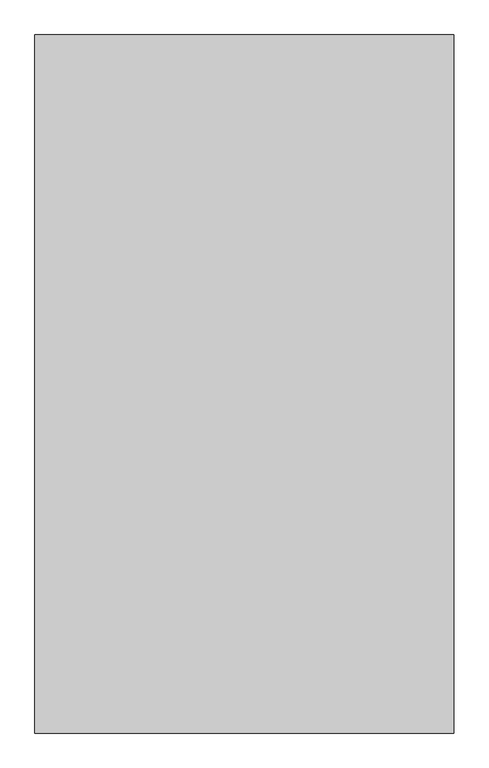
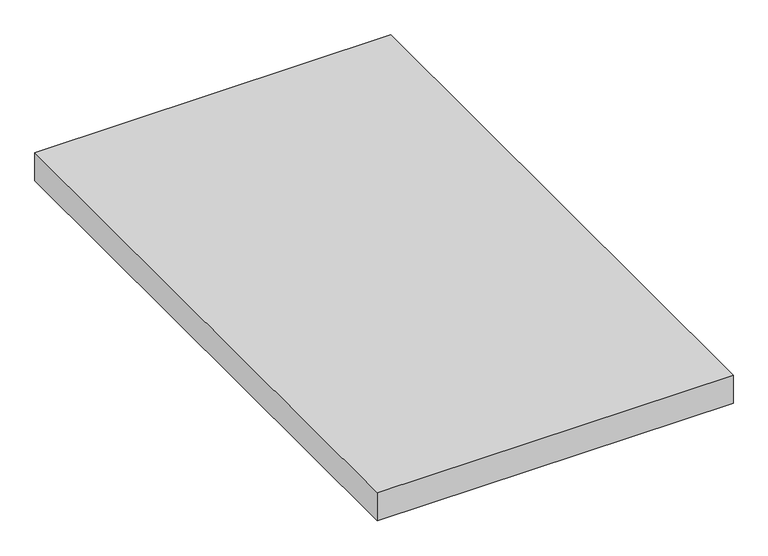
"""IFC4 building model written with IfcOpenShell, lengths in millimetres: proxy geometry."""

from ifc_helpers import new_model, si_unit, origin, origin_with_axes, place, context, project, spatial, polyline, outline, extrude, source, transform, mapped, element, save


def generic_models_23a5f161(model_context):
    return source(origin(), model_context, "Body", "SweptSolid", [
        extrude(outline(polyline([(11159.4865951, 847.1625159), (11159.4865951, -152.8374841), (10559.4865951, -152.8374841), (10559.4865951, 847.1625159), (11159.4865951, 847.1625159)])), origin_with_axes(), (0.0, 0.0, 1.0), 50.0),
    ])


if __name__ == "__main__":
    model = new_model("IFC4")
    model_context = context("Model", 3, world=origin())
    ifc_project = project(units=[si_unit("LENGTHUNIT", "METRE", prefix="MILLI")], contexts=[model_context])
    site = spatial("IfcSite", under=ifc_project)
    building = spatial("IfcBuilding", under=site)
    placement = place(None, origin())
    generic_models_shape = generic_models_23a5f161(model_context)
    element("IfcBuildingElementProxy", 1, Name="Generic Models", at=placement, inside=building, context=model_context, shape_type="MappedRepresentation", body=[
        mapped(generic_models_shape, transform((0.0, 0.0, 0.0), x_axis=(1.0, 0.0, 0.0), y_axis=(0.0, 1.0, 0.0), z_axis=(0.0, 0.0, 1.0))),
    ])
    save(model, "model.ifc")
